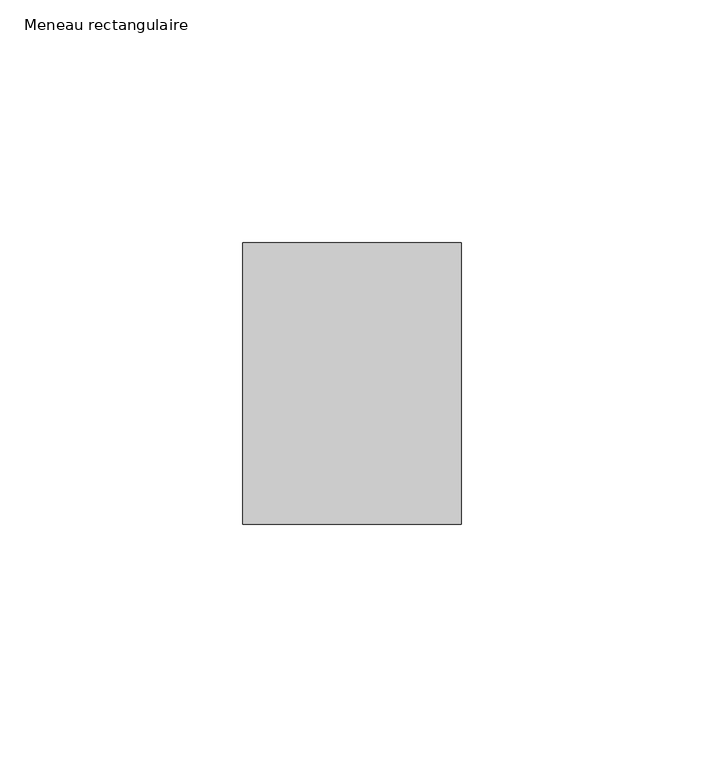
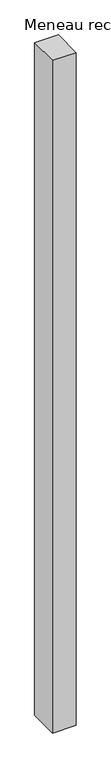
"""IFC4 building model written with IfcOpenShell, lengths in millimetres: member geometry, Meneau rectangulaire."""

from ifc_helpers import new_model, si_unit, frame, origin, place, context, project, spatial, polyline, outline, extrude, source, transform, mapped, element, save


def meneau_rectangulaire_3d5b34fb(model_context):
    return source(origin(), model_context, "Body", "SweptSolid", [
        extrude(outline(polyline([(-45.0, 29.0), (0.0, 29.0), (0.0, -29.0), (-45.0, -29.0), (-45.0, 29.0)])), frame((0.0, 0.0, -1343.7499999), z_axis=(0.0, 0.0, 1.0), x_axis=(1.0, 0.0, 0.0)), (0.0, 0.0, 1.0), 1343.7499999),
    ])


if __name__ == "__main__":
    model = new_model("IFC4")
    model_context = context("Model", 3, world=origin())
    ifc_project = project(units=[si_unit("LENGTHUNIT", "METRE", prefix="MILLI")], contexts=[model_context])
    site = spatial("IfcSite", under=ifc_project)
    building = spatial("IfcBuilding", under=site)
    placement = place(None, origin())
    meneau_rectangulaire_shape = meneau_rectangulaire_3d5b34fb(model_context)
    element("IfcMember", 1, ObjectType="Meneau rectangulaire", at=placement, inside=building, context=model_context, shape_type="MappedRepresentation", body=[
        mapped(meneau_rectangulaire_shape, transform((0.0, 0.0, 0.0), x_axis=(1.0, 0.0, 0.0), y_axis=(0.0, 1.0, 0.0), z_axis=(0.0, 0.0, 1.0))),
    ])
    save(model, "model.ifc")
